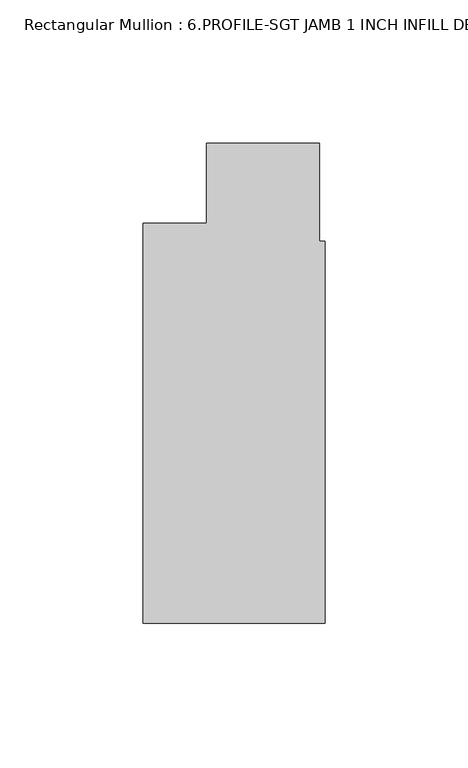
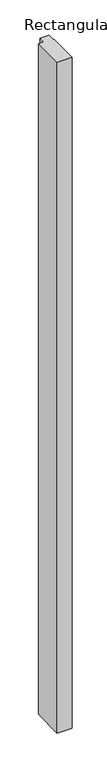
"""IFC4 building model written with IfcOpenShell, lengths in millimetres: member geometry, Rectangular Mullion : 6.PROFILE-SGT JAMB 1 INCH INFILL DETAIL 7."""

from ifc_helpers import new_model, si_unit, frame, origin, place, context, project, spatial, polyline, outline, extrude, source, transform, mapped, element, save


def rectangular_mullion_6_profile_sgt_jamb_1_inch_infill_detail_a36a909f(model_context):
    return source(origin(), model_context, "Body", "SweptSolid", [
        extrude(outline(polyline([(0.0, -69.849995), (-63.5, -69.849995), (-63.5, 69.85), (-41.2794957, 69.85), (-41.2794957, 97.8053154), (-1.8833068, 97.8053154), (-1.8833068, 63.5), (0.0, 63.5), (0.0, -69.849995)])), frame((0.0, 0.0, -3048.0), z_axis=(0.0, 0.0, 1.0), x_axis=(1.0, 0.0, 0.0)), (0.0, 0.0, 1.0), 3048.0),
    ])


if __name__ == "__main__":
    model = new_model("IFC4")
    model_context = context("Model", 3, world=origin())
    ifc_project = project(units=[si_unit("LENGTHUNIT", "METRE", prefix="MILLI")], contexts=[model_context])
    site = spatial("IfcSite", under=ifc_project)
    building = spatial("IfcBuilding", under=site)
    placement = place(None, origin())
    rectangular_mullion_6_profile_sgt_jamb_1_inch_infill_detail_shape = rectangular_mullion_6_profile_sgt_jamb_1_inch_infill_detail_a36a909f(model_context)
    element("IfcMember", 1, ObjectType="Rectangular Mullion : 6.PROFILE-SGT JAMB 1 INCH INFILL DETAIL 7", at=placement, inside=building, context=model_context, shape_type="MappedRepresentation", body=[
        mapped(rectangular_mullion_6_profile_sgt_jamb_1_inch_infill_detail_shape, transform((0.0, 0.0, 0.0), x_axis=(1.0, 0.0, 0.0), y_axis=(0.0, 1.0, 0.0), z_axis=(0.0, 0.0, 1.0))),
    ])
    save(model, "model.ifc")
